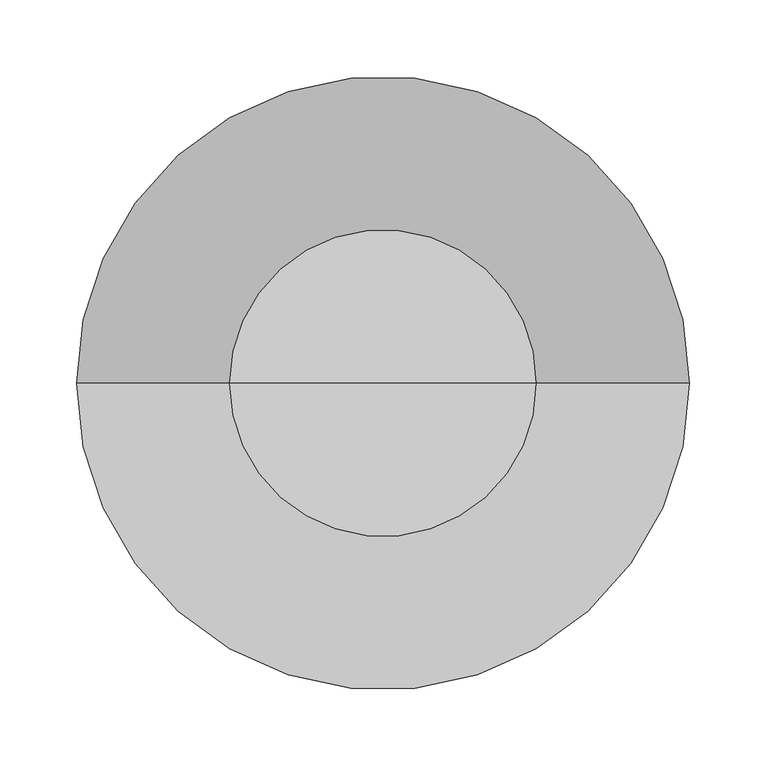
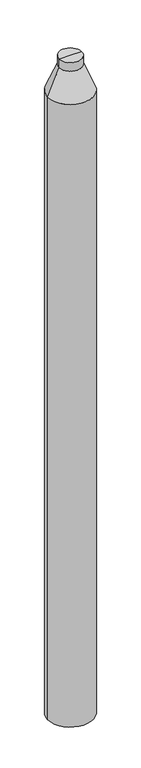
"""IFC4 building model written with IfcOpenShell, lengths in millimetres: column geometry."""

from ifc_helpers import new_model, si_unit, frame, origin, place, context, project, spatial, polyline, circle_curve, source, transform, mapped, element, save
from ifc_brep_helpers import plane_surface, cylinder_surface, revolved_surface, advanced_brep


def column_d00554e5(model_context):
    return source(origin(), model_context, "Body", "AdvancedBrep", [
        advanced_brep(
        [(-200.0, 0.0, 3220.875), (-200.0, 0.0, -2599.125), (200.0, 0.0, -2599.125), (200.0, 0.0, 3220.875), (0.0, 0.0, -2599.125), (-100.0, 0.0, 3460.875), (100.0, 0.0, 3460.875), (-100.0, 0.0, 3540.875), (100.0, 0.0, 3540.875), (0.0, 0.0, 3540.875)],
        [
            (0, 1),
            (1, 2, circle_curve(frame((0.0, 0.0, -2599.125), z_axis=(0.0, 0.0, 1.0), x_axis=(1.0, 0.0, 0.0)), 200.0)),
            (2, 3),
            (3, 0, circle_curve(frame((0.0, 0.0, 3220.875), z_axis=(0.0, 0.0, -1.0), x_axis=(1.0, 0.0, 0.0)), 200.0)),
            (1, 4),
            (4, 2),
            (1, 2, circle_curve(frame((0.0, 0.0, -2599.125), z_axis=(0.0, 0.0, -1.0), x_axis=(1.0, 0.0, 0.0)), 200.0)),
            (0, 3, circle_curve(frame((0.0, 0.0, 3220.875), z_axis=(0.0, 0.0, -1.0), x_axis=(1.0, 0.0, 0.0)), 200.0)),
            (5, 0),
            (3, 6),
            (6, 5, circle_curve(frame((0.0, 0.0, 3460.875), z_axis=(0.0, 0.0, -1.0), x_axis=(1.0, 0.0, 0.0)), 100.0)),
            (5, 6, circle_curve(frame((0.0, 0.0, 3460.875), z_axis=(0.0, 0.0, -1.0), x_axis=(1.0, 0.0, 0.0)), 100.0)),
            (7, 5),
            (6, 8),
            (8, 7, circle_curve(frame((0.0, 0.0, 3540.875), z_axis=(0.0, 0.0, -1.0), x_axis=(1.0, 0.0, 0.0)), 100.0)),
            (7, 8, circle_curve(frame((0.0, 0.0, 3540.875), z_axis=(0.0, 0.0, -1.0), x_axis=(1.0, 0.0, 0.0)), 100.0)),
            (9, 7),
            (8, 9),
        ],
        [
            cylinder_surface(frame((0.0, 0.0, 3182.1059986), z_axis=(0.0, 0.0, 1.0), x_axis=(1.0, 0.0, 0.0)), 200.0),
            plane_surface(frame((0.0, 0.0, -2599.125), z_axis=(0.0, 0.0, -1.0), x_axis=(1.0, 0.0, 0.0))),
            revolved_surface(polyline([(200.0, 0.0, 3220.875), (100.0, 0.0, 3460.875)]), (0.0, 0.0, 3182.1059986), (0.0, 0.0, 1.0)),
            cylinder_surface(frame((0.0, 0.0, 3182.1059986), z_axis=(0.0, 0.0, 1.0), x_axis=(1.0, 0.0, 0.0)), 100.0),
            plane_surface(frame((0.0, 0.0, 3540.875), z_axis=(0.0, 0.0, 1.0), x_axis=(1.0, 0.0, 0.0))),
        ],
        [
            (0, [[1, 2, 3, 4]]),
            (1, [[5, 6, -2]]),
            (1, [[-6, -5, 7]]),
            (0, [[-3, -7, -1, 8]]),
            (2, [[9, -4, 10, 11]]),
            (2, [[-10, -8, -9, 12]]),
            (3, [[13, -11, 14, 15]]),
            (3, [[-14, -12, -13, 16]]),
            (4, [[17, -15, 18]]),
            (4, [[-18, -16, -17]]),
        ],
    ),
    ])


if __name__ == "__main__":
    model = new_model("IFC4")
    model_context = context("Model", 3, world=origin())
    ifc_project = project(units=[si_unit("LENGTHUNIT", "METRE", prefix="MILLI")], contexts=[model_context])
    site = spatial("IfcSite", under=ifc_project)
    building = spatial("IfcBuilding", under=site)
    placement = place(None, origin())
    column_shape = column_d00554e5(model_context)
    element("IfcColumn", 1, at=placement, inside=building, context=model_context, shape_type="MappedRepresentation", body=[
        mapped(column_shape, transform((0.0, 0.0, 0.0), x_axis=(1.0, 0.0, 0.0), y_axis=(0.0, 1.0, 0.0), z_axis=(0.0, 0.0, 1.0))),
    ])
    save(model, "model.ifc")
